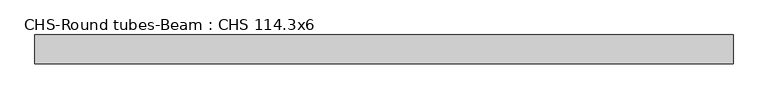
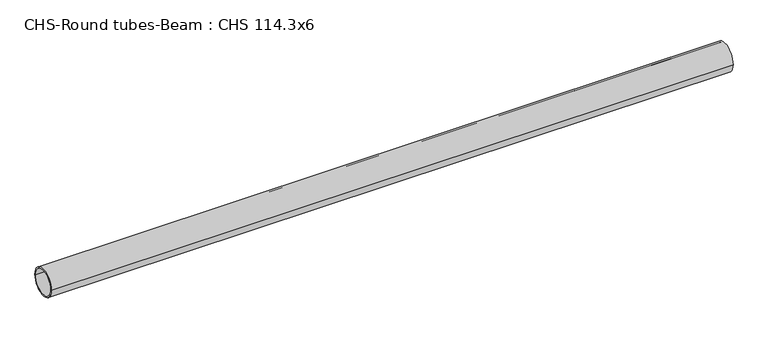
"""IFC4 building model written with IfcOpenShell, lengths in millimetres: beam geometry, CHS-Round tubes-Beam : CHS 114.3x6."""

from ifc_helpers import new_model, si_unit, point, frame, origin, origin_2d, place, context, project, spatial, circle_curve, trimmed, segment, composite_curve, outline, extrude, source, transform, mapped, element, save


def chs_round_tubes_beam_chs_114_3x6_3986a5f4(model_context):
    return source(origin(), model_context, "Body", "SweptSolid", [
        extrude(outline(composite_curve([segment(trimmed(circle_curve(origin_2d(), 57.15), [point((57.15, 0.0))], [point((-57.15, 0.0))], False, "CARTESIAN"), True, "CONTINUOUS"), segment(trimmed(circle_curve(origin_2d(), 57.15), [point((-57.15, 0.0))], [point((57.15, 0.0))], False, "CARTESIAN"), True, "CONTINUOUS")], self_intersect=False), holes=[composite_curve([segment(trimmed(circle_curve(origin_2d(), 51.15), [point((51.15, 0.0))], [point((-51.15, 0.0))], True, "CARTESIAN"), True, "CONTINUOUS"), segment(trimmed(circle_curve(origin_2d(), 51.15), [point((-51.15, 0.0))], [point((51.15, 0.0))], True, "CARTESIAN"), True, "CONTINUOUS")], self_intersect=False)]), frame((-1315.0092099, 0.0, 0.0), z_axis=(1.0, 0.0, 0.0), x_axis=(0.0, 1.0, 0.0)), (0.0, 0.0, 1.0), 2754.9674038),
    ])


if __name__ == "__main__":
    model = new_model("IFC4")
    model_context = context("Model", 3, world=origin())
    ifc_project = project(units=[si_unit("LENGTHUNIT", "METRE", prefix="MILLI")], contexts=[model_context])
    site = spatial("IfcSite", under=ifc_project)
    building = spatial("IfcBuilding", under=site)
    placement = place(None, origin())
    chs_round_tubes_beam_chs_114_3x6_shape = chs_round_tubes_beam_chs_114_3x6_3986a5f4(model_context)
    element("IfcBeam", 1, ObjectType="CHS-Round tubes-Beam : CHS 114.3x6", at=placement, inside=building, context=model_context, shape_type="MappedRepresentation", body=[
        mapped(chs_round_tubes_beam_chs_114_3x6_shape, transform((0.0, 0.0, 0.0), x_axis=(1.0, 0.0, 0.0), y_axis=(0.0, 1.0, 0.0), z_axis=(0.0, 0.0, 1.0))),
    ])
    save(model, "model.ifc")
